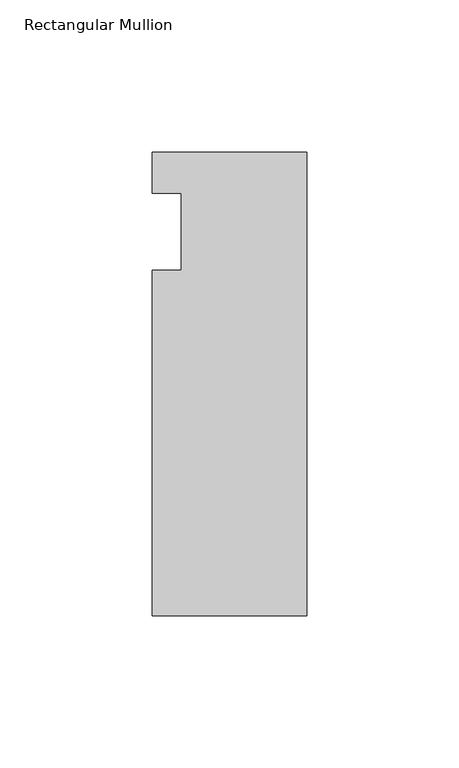
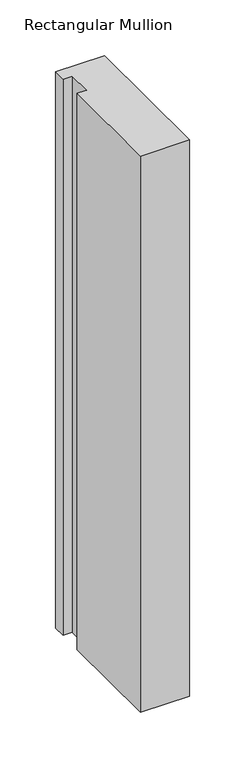
"""IFC4 building model written with IfcOpenShell, lengths in millimetres: member geometry, Rectangular Mullion."""

from ifc_helpers import new_model, si_unit, frame, origin, place, context, project, spatial, polyline, outline, extrude, source, transform, mapped, element, save


def rectangular_mullion_3b5d1450(model_context):
    return source(origin(), model_context, "Body", "SweptSolid", [
        extrude(outline(polyline([(-50.8, 26.19375), (0.0, 26.19375), (0.0, -126.20625), (-50.8, -126.20625), (-50.8, -12.7), (-41.275, -12.7), (-41.275, 12.7), (-50.8, 12.7), (-50.8, 26.19375)])), frame((0.0, 0.0, -609.6), z_axis=(0.0, 0.0, 1.0), x_axis=(1.0, 0.0, 0.0)), (0.0, 0.0, 1.0), 609.6),
    ])


if __name__ == "__main__":
    model = new_model("IFC4")
    model_context = context("Model", 3, world=origin())
    ifc_project = project(units=[si_unit("LENGTHUNIT", "METRE", prefix="MILLI")], contexts=[model_context])
    site = spatial("IfcSite", under=ifc_project)
    building = spatial("IfcBuilding", under=site)
    placement = place(None, origin())
    rectangular_mullion_shape = rectangular_mullion_3b5d1450(model_context)
    element("IfcMember", 1, ObjectType="Rectangular Mullion", at=placement, inside=building, context=model_context, shape_type="MappedRepresentation", body=[
        mapped(rectangular_mullion_shape, transform((0.0, 0.0, 0.0), x_axis=(1.0, 0.0, 0.0), y_axis=(0.0, 1.0, 0.0), z_axis=(0.0, 0.0, 1.0))),
    ])
    save(model, "model.ifc")
